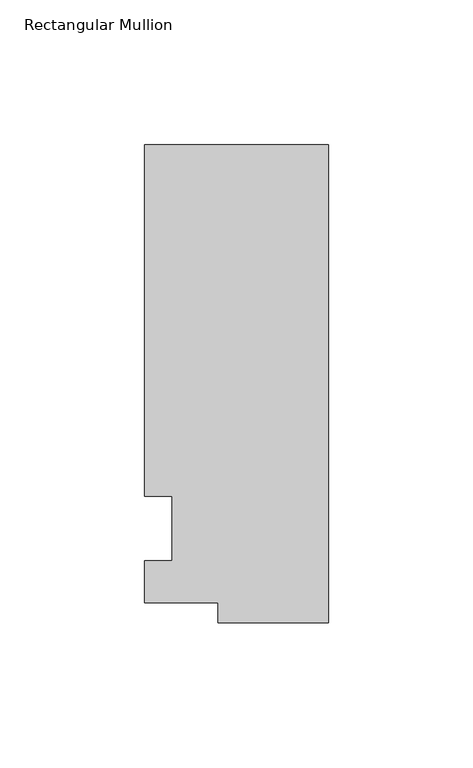
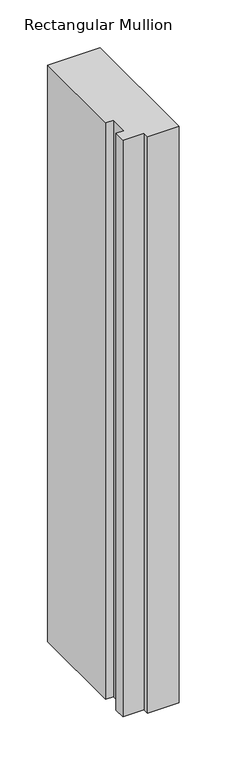
"""IFC4 building model written with IfcOpenShell, lengths in millimetres: member geometry, Rectangular Mullion."""

from ifc_helpers import new_model, si_unit, frame, origin, place, context, project, spatial, polyline, outline, extrude, source, transform, mapped, element, save


def rectangular_mullion_f1378e0a(model_context):
    return source(origin(), model_context, "Body", "SweptSolid", [
        extrude(outline(polyline([(-38.1, -32.54375), (-38.1, -25.58415), (-63.5, -25.58415), (-63.5, -11.1125), (-53.975, -11.1125), (-53.975, 11.1125), (-63.5, 11.1125), (-63.5, 132.55625), (0.0, 132.55625), (0.0, -32.54375), (-38.1, -32.54375)])), frame((0.0, 0.0, -736.6), z_axis=(0.0, 0.0, 1.0), x_axis=(1.0, 0.0, 0.0)), (0.0, 0.0, 1.0), 736.6),
    ])


if __name__ == "__main__":
    model = new_model("IFC4")
    model_context = context("Model", 3, world=origin())
    ifc_project = project(units=[si_unit("LENGTHUNIT", "METRE", prefix="MILLI")], contexts=[model_context])
    site = spatial("IfcSite", under=ifc_project)
    building = spatial("IfcBuilding", under=site)
    placement = place(None, origin())
    rectangular_mullion_shape = rectangular_mullion_f1378e0a(model_context)
    element("IfcMember", 1, ObjectType="Rectangular Mullion", at=placement, inside=building, context=model_context, shape_type="MappedRepresentation", body=[
        mapped(rectangular_mullion_shape, transform((0.0, 0.0, 0.0), x_axis=(1.0, 0.0, 0.0), y_axis=(0.0, 1.0, 0.0), z_axis=(0.0, 0.0, 1.0))),
    ])
    save(model, "model.ifc")
